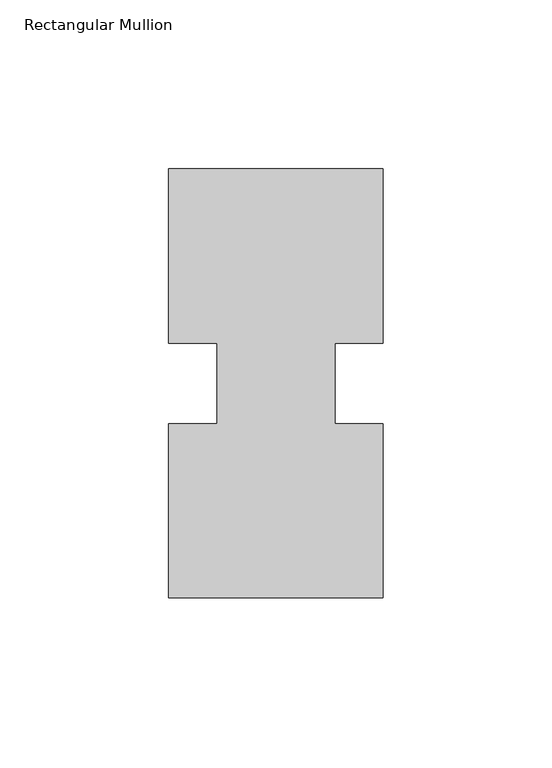
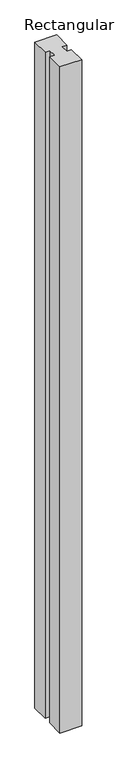
"""IFC4 building model written with IfcOpenShell, lengths in millimetres: member geometry, Rectangular Mullion."""

from ifc_helpers import new_model, si_unit, frame, origin, place, context, project, spatial, polyline, outline, extrude, source, transform, mapped, element, save


def rectangular_mullion_6ae927a7(model_context):
    return source(origin(), model_context, "Body", "SweptSolid", [
        extrude(outline(polyline([(31.75, 75.40625), (17.4625, 75.40625), (17.4625, 51.60645), (31.75, 51.60645), (31.75, 0.00635), (-31.75, 0.00635), (-31.75, 51.60645), (-17.4625, 51.60645), (-17.4625, 75.40625), (-31.75, 75.40625), (-31.75, 127.00635), (31.75, 127.00635), (31.75, 75.40625)])), frame((0.0, 0.0, -2060.575), z_axis=(0.0, 0.0, 1.0), x_axis=(1.0, 0.0, 0.0)), (0.0, 0.0, 1.0), 2060.575),
    ])


if __name__ == "__main__":
    model = new_model("IFC4")
    model_context = context("Model", 3, world=origin())
    ifc_project = project(units=[si_unit("LENGTHUNIT", "METRE", prefix="MILLI")], contexts=[model_context])
    site = spatial("IfcSite", under=ifc_project)
    building = spatial("IfcBuilding", under=site)
    placement = place(None, origin())
    rectangular_mullion_shape = rectangular_mullion_6ae927a7(model_context)
    element("IfcMember", 1, ObjectType="Rectangular Mullion", at=placement, inside=building, context=model_context, shape_type="MappedRepresentation", body=[
        mapped(rectangular_mullion_shape, transform((0.0, 0.0, 0.0), x_axis=(1.0, 0.0, 0.0), y_axis=(0.0, 1.0, 0.0), z_axis=(0.0, 0.0, 1.0))),
    ])
    save(model, "model.ifc")
